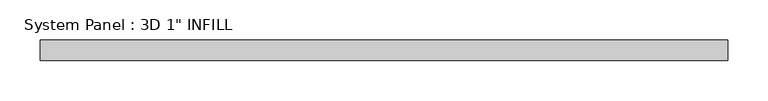
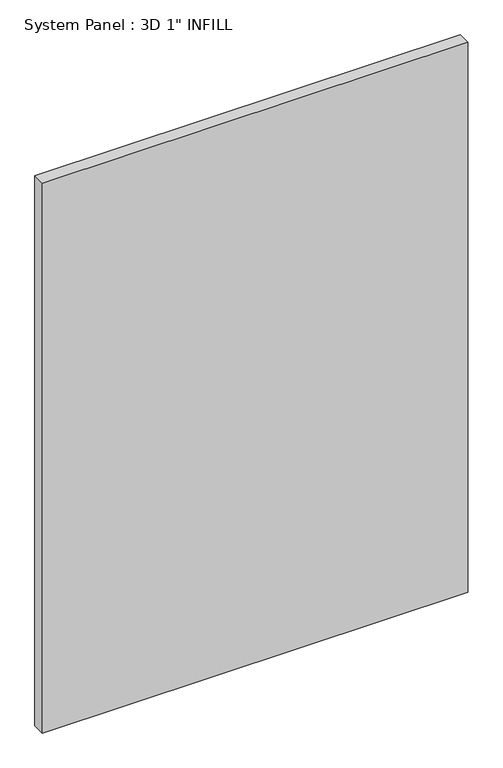
"""IFC4 building model written with IfcOpenShell, lengths in millimetres: plate geometry."""

from ifc_helpers import new_model, si_unit, origin, origin_with_axes, place, context, project, spatial, polyline, outline, extrude, source, transform, mapped, element, save


def plate_bb46095d(model_context):
    return source(origin(), model_context, "Body", "SweptSolid", [
        extrude(outline(polyline([(425.5396538, -12.7), (-425.5396538, -12.7), (-425.5396538, 12.7), (425.5396538, 12.7), (425.5396538, -12.7)])), origin_with_axes(), (0.0, 0.0, 1.0), 1162.9845854),
    ])


if __name__ == "__main__":
    model = new_model("IFC4")
    model_context = context("Model", 3, world=origin())
    ifc_project = project(units=[si_unit("LENGTHUNIT", "METRE", prefix="MILLI")], contexts=[model_context])
    site = spatial("IfcSite", under=ifc_project)
    building = spatial("IfcBuilding", under=site)
    placement = place(None, origin())
    plate_shape = plate_bb46095d(model_context)
    element("IfcPlate", 1, ObjectType="System Panel : 3D 1\" INFILL", at=placement, inside=building, context=model_context, shape_type="MappedRepresentation", body=[
        mapped(plate_shape, transform((0.0, 0.0, 0.0), x_axis=(1.0, 0.0, 0.0), y_axis=(0.0, 1.0, 0.0), z_axis=(0.0, 0.0, 1.0))),
    ])
    save(model, "model.ifc")
